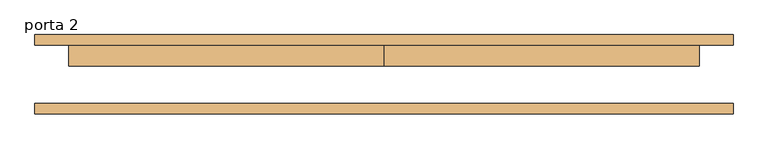
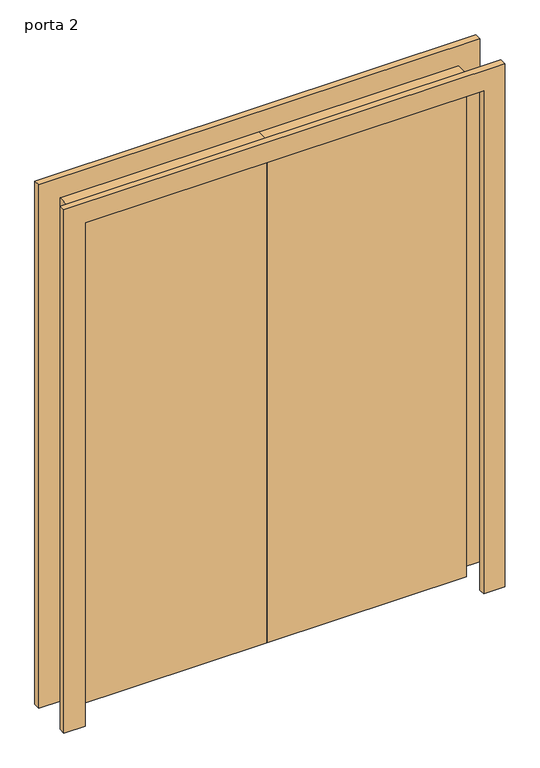
"""IFC4 building model written with IfcOpenShell, lengths in millimetres: door geometry, porta 2."""

from ifc_helpers import new_model, si_unit, frame, origin, origin_with_axes, place, context, project, spatial, polyline, outline, extrude, source, transform, mapped, element, save


def porta_2_f24edf8f(model_context):
    return source(origin(), model_context, "Body", "SweptSolid", [
        extrude(outline(polyline([(2000.0, -750.0), (2000.0, 750.0), (0.0, 750.0), (0.0, 830.0), (2080.0, 830.0), (2080.0, -830.0), (0.0, -830.0), (0.0, -750.0), (2000.0, -750.0)])), frame((0.0, -94.25, 0.0), z_axis=(0.0, 1.0, 0.0), x_axis=(0.0, 0.0, 1.0)), (0.0, 0.0, 1.0), 25.0),
        extrude(outline(polyline([(2000.0, -750.0), (2000.0, 750.0), (0.0, 750.0), (0.0, 830.0), (2080.0, 830.0), (2080.0, -830.0), (0.0, -830.0), (0.0, -750.0), (2000.0, -750.0)])), frame((0.0, 69.25, 0.0), z_axis=(0.0, 1.0, 0.0), x_axis=(0.0, 0.0, 1.0)), (0.0, 0.0, 1.0), 25.0),
        extrude(outline(polyline([(0.0, 69.25), (750.0, 69.25), (750.0, 19.25), (0.0, 19.25), (0.0, 69.25)])), origin_with_axes(), (0.0, 0.0, 1.0), 2000.0),
        extrude(outline(polyline([(-750.0, 69.25), (0.0, 69.25), (0.0, 19.25), (-750.0, 19.25), (-750.0, 69.25)])), origin_with_axes(), (0.0, 0.0, 1.0), 2000.0),
    ])


if __name__ == "__main__":
    model = new_model("IFC4")
    model_context = context("Model", 3, world=origin())
    ifc_project = project(units=[si_unit("LENGTHUNIT", "METRE", prefix="MILLI")], contexts=[model_context])
    site = spatial("IfcSite", under=ifc_project)
    building = spatial("IfcBuilding", under=site)
    placement = place(None, origin())
    porta_2_shape = porta_2_f24edf8f(model_context)
    element("IfcDoor", 1, ObjectType="porta 2", at=placement, inside=building, context=model_context, shape_type="MappedRepresentation", body=[
        mapped(porta_2_shape, transform((0.0, 0.0, 0.0), x_axis=(1.0, 0.0, 0.0), y_axis=(0.0, 1.0, 0.0), z_axis=(0.0, 0.0, 1.0))),
    ])
    save(model, "model.ifc")
